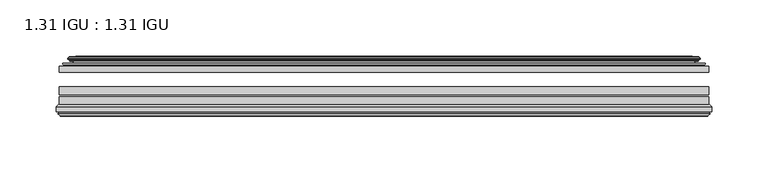
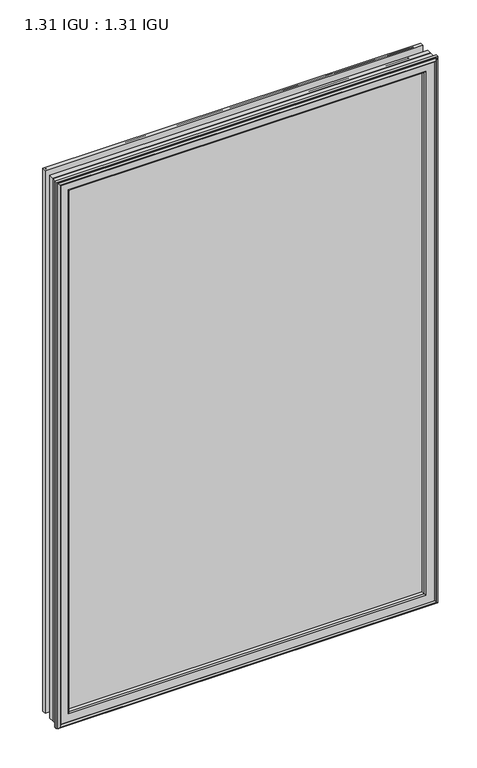
"""IFC4 building model written with IfcOpenShell, lengths in millimetres: plate geometry, 1.31 IGU : 1.31 IGU."""

from ifc_helpers import new_model, si_unit, frame, origin, place, context, project, spatial, polyline, ellipse_curve, outline, extrude, source, transform, mapped, element, save
from ifc_brep_helpers import plane_surface, cylinder_surface, revolved_surface, advanced_brep


def plate_1_31_igu_1_31_igu_420a6f76(model_context):
    return source(origin(), model_context, "Body", "SolidModel", [
        extrude(outline(polyline([(287.3325649, -44.8960875), (287.3325649, -50.4332875), (-287.3375, -50.4332875), (-287.3375, -44.8960875), (287.3325649, -44.8960875)])), frame((0.0, 0.0, -14.2875), z_axis=(0.0, 0.0, 1.0), x_axis=(1.0, 0.0, 0.0)), (0.0, 0.0, 1.0), 873.1260851),
        extrude(outline(polyline([(-287.3375, -78.7796875), (-287.3375, -71.7692875), (287.3325649, -71.7692875), (287.3325649, -78.7796875), (-287.3375, -78.7796875)])), frame((0.0, 0.0, -14.2875), z_axis=(0.0, 0.0, 1.0), x_axis=(1.0, 0.0, 0.0)), (0.0, 0.0, 1.0), 873.1260851),
        extrude(outline(polyline([(-287.3375, -70.2452875), (-287.3375, -63.1332875), (287.3325649, -63.1332875), (287.3325649, -70.2452875), (-287.3375, -70.2452875)])), frame((0.0, 0.0, -14.2875), z_axis=(0.0, 0.0, 1.0), x_axis=(1.0, 0.0, 0.0)), (0.0, 0.0, 1.0), 873.1260851),
        advanced_brep(
        [(-277.9921755, -37.7373382, 849.4932606), (-273.0505426, -36.3108875, 844.5516277), (-273.0505426, -36.3108875, -0.0005426), (-277.9921755, -37.7373382, -4.9421755), (-277.8270702, -36.9605789, 849.3281553), (-277.8270702, -36.9605789, -4.7770702), (-278.4225559, -36.4771203, 849.923641), (-278.4225559, -36.4771203, -5.3725559), (-279.6871917, -37.766076, 851.1882768), (-279.6871917, -37.766076, -6.6371917), (-279.6763749, -38.8797852, 851.17746), (-279.6763749, -38.8797852, -6.6263749), (-278.3948897, -40.1361433, 849.8959748), (-278.3948897, -40.1361433, -5.3448897), (-277.7898829, -39.649943, 849.290968), (-277.7898829, -39.649943, -4.7398829), (-278.3438972, -39.0959287, 849.8449823), (-278.3438972, -39.0959287, -5.2938972), (-276.0580887, -38.7029881, 847.5591739), (-276.0580887, -38.7029881, -3.0080887), (-274.5990157, -40.2107282, 846.1001008), (-274.5990157, -40.2107282, -1.5490157), (-274.8955976, -41.651269, 846.3966827), (-274.8955976, -41.651269, -1.8455976), (-275.6668221, -42.2798875, 847.1679072), (-275.6668221, -42.2798875, -2.6168221), (-283.9707984, -43.4871542, 855.4718835), (-283.6955969, -42.2798875, 855.1966821), (-283.6955969, -42.2798875, -10.6455969), (-283.9707984, -43.4871542, -10.9207984), (-280.5132297, -44.8960875, 852.0143149), (-280.5132297, -44.8960875, -7.4632297), (-269.4156059, -44.023302, 840.9166911), (-269.7709439, -44.8960875, 841.272029), (-269.7709439, -44.8960875, 3.2790561), (-269.4156059, -44.023302, 3.6343941), (-270.086804, -43.3681812, 841.5878891), (-270.086804, -43.3681812, 2.963196), (-271.7275946, -40.6686056, 843.2286797), (-271.7275946, -40.6686056, 1.3224054), (273.0505426, -36.3108875, -0.0005426), (277.9921755, -37.7373382, -4.9421755), (277.8270702, -36.9605789, -4.7770702), (278.4225559, -36.4771203, -5.3725559), (279.6871917, -37.766076, -6.6371917), (279.6763749, -38.8797852, -6.6263749), (278.3948897, -40.1361433, -5.3448897), (277.7898829, -39.649943, -4.7398829), (278.3438972, -39.0959287, -5.2938972), (276.0580887, -38.7029881, -3.0080887), (274.5990157, -40.2107282, -1.5490157), (274.8955976, -41.651269, -1.8455976), (275.6668221, -42.2798875, -2.6168221), (283.6955969, -42.2798875, -10.6455969), (283.9707984, -43.4871542, -10.9207984), (280.5132297, -44.8960875, -7.4632297), (269.7709439, -44.8960875, 3.2790561), (269.4156059, -44.023302, 3.6343941), (270.086804, -43.3681812, 2.963196), (271.7275946, -40.6686056, 1.3224054), (273.0505426, -36.3108875, 844.5516277), (277.9921755, -37.7373382, 849.4932606), (277.8270702, -36.9605789, 849.3281553), (278.4225559, -36.4771203, 849.923641), (279.6871917, -37.766076, 851.1882768), (279.6763749, -38.8797852, 851.17746), (278.3948897, -40.1361433, 849.8959748), (277.7898829, -39.649943, 849.290968), (278.3438972, -39.0959287, 849.8449823), (276.0580887, -38.7029881, 847.5591739), (274.5990157, -40.2107282, 846.1001008), (274.8955976, -41.651269, 846.3966827), (275.6668221, -42.2798875, 847.1679072), (283.6955969, -42.2798875, 855.1966821), (283.9707984, -43.4871542, 855.4718835), (280.5132297, -44.8960875, 852.0143149), (269.7709439, -44.8960875, 841.272029), (269.4156059, -44.023302, 840.9166911), (270.086804, -43.3681812, 841.5878891), (271.7275946, -40.6686056, 843.2286797)],
        [
            (0, 1),
            (1, 2),
            (2, 3),
            (3, 0),
            (4, 0),
            (3, 5),
            (5, 4),
            (6, 4, ellipse_curve(frame((-278.1475871, -36.746901, 849.6486723), z_axis=(-0.7071067811865475, 0.0, -0.7071067811865475), x_axis=(-0.7071067811865474, 0.0, 0.7071067811865476)), 0.5447741, 0.3852135)),
            (5, 7, ellipse_curve(frame((-278.1475871, -36.746901, -5.0975871), z_axis=(-0.7071067811865475, 0.0, 0.7071067811865475), x_axis=(0.7071067811865474, 0.0, 0.7071067811865476)), 0.5447741, 0.3852135)),
            (7, 6),
            (8, 6),
            (7, 9),
            (9, 8),
            (10, 8, ellipse_curve(frame((-279.1251387, -38.3175243, 850.6262238), z_axis=(-0.7071067811865475, 0.0, -0.7071067811865475), x_axis=(-0.7071067811865474, 0.0, 0.7071067811865476)), 1.1135518, 0.7874)),
            (9, 11, ellipse_curve(frame((-279.1251387, -38.3175243, -6.0751387), z_axis=(-0.7071067811865475, 0.0, 0.7071067811865475), x_axis=(0.7071067811865474, 0.0, 0.7071067811865476)), 1.1135518, 0.7874)),
            (11, 10),
            (12, 10),
            (11, 13),
            (13, 12),
            (14, 12, ellipse_curve(frame((-278.1212922, -39.8570738, 849.6223773), z_axis=(-0.7071067811865475, 0.0, -0.7071067811865475), x_axis=(-0.7071067811865474, 0.0, 0.7071067811865476)), 0.552694, 0.3908137)),
            (13, 15, ellipse_curve(frame((-278.1212922, -39.8570738, -5.0712922), z_axis=(-0.7071067811865475, 0.0, 0.7071067811865475), x_axis=(0.7071067811865474, 0.0, 0.7071067811865476)), 0.552694, 0.3908137)),
            (15, 14),
            (16, 14),
            (15, 17),
            (17, 16),
            (18, 16),
            (17, 19),
            (19, 18),
            (20, 18, ellipse_curve(frame((-275.8429261, -39.954629, 847.3440112), z_axis=(0.7071067811865475, 0.0, 0.7071067811865475), x_axis=(0.7071067811865474, 0.0, -0.7071067811865476)), 1.7960512, 1.27)),
            (19, 21, ellipse_curve(frame((-275.8429261, -39.954629, -2.7929261), z_axis=(0.7071067811865475, 0.0, -0.7071067811865475), x_axis=(-0.7071067811865474, 0.0, -0.7071067811865476)), 1.7960512, 1.27)),
            (21, 20),
            (22, 20),
            (21, 23),
            (23, 22),
            (24, 22, ellipse_curve(frame((-275.6668221, -41.4924875, 847.1679072), z_axis=(0.7071067811865475, 0.0, 0.7071067811865475), x_axis=(0.7071067811865474, 0.0, -0.7071067811865476)), 1.1135518, 0.7874)),
            (23, 25, ellipse_curve(frame((-275.6668221, -41.4924875, -2.6168221), z_axis=(0.7071067811865475, 0.0, -0.7071067811865475), x_axis=(-0.7071067811865474, 0.0, -0.7071067811865476)), 1.1135518, 0.7874)),
            (25, 24),
            (26, 27, ellipse_curve(frame((-283.6955969, -42.9148875, 855.1966821), z_axis=(-0.7071067811865475, 0.0, -0.7071067811865475), x_axis=(-0.7071067811865474, 0.0, 0.7071067811865476)), 0.8980256, 0.635)),
            (27, 28),
            (28, 29, ellipse_curve(frame((-283.6955969, -42.9148875, -10.6455969), z_axis=(-0.7071067811865475, 0.0, 0.7071067811865475), x_axis=(0.7071067811865474, 0.0, 0.7071067811865476)), 0.8980256, 0.635)),
            (29, 26),
            (30, 26),
            (29, 31),
            (31, 30),
            (32, 33, ellipse_curve(frame((-269.7709439, -44.3873602, 841.272029), z_axis=(-0.7071067811865475, 0.0, -0.7071067811865475), x_axis=(-0.7071067811865474, 0.0, 0.7071067811865476)), 0.719449, 0.5087273)),
            (33, 34),
            (34, 35, ellipse_curve(frame((-269.7709439, -44.3873602, 3.2790561), z_axis=(-0.7071067811865475, 0.0, 0.7071067811865475), x_axis=(0.7071067811865474, 0.0, 0.7071067811865476)), 0.719449, 0.5087273)),
            (35, 32),
            (36, 32),
            (35, 37),
            (37, 36),
            (38, 36, ellipse_curve(frame((-265.6514298, -38.823959, 837.1525149), z_axis=(0.7071067811865475, 0.0, 0.7071067811865475), x_axis=(0.7071067811865474, 0.0, -0.7071067811865476)), 8.9802561, 6.35)),
            (37, 39, ellipse_curve(frame((-265.6514298, -38.823959, 7.3985702), z_axis=(0.7071067811865475, 0.0, -0.7071067811865475), x_axis=(-0.7071067811865474, 0.0, -0.7071067811865476)), 8.9802561, 6.35)),
            (39, 38),
            (1, 38),
            (39, 2),
            (2, 40),
            (40, 41),
            (41, 3),
            (41, 42),
            (42, 5),
            (42, 43, ellipse_curve(frame((278.1475871, -36.746901, -5.0975871), z_axis=(-0.7071067811865475, 0.0, -0.7071067811865475), x_axis=(-0.7071067811865476, 0.0, 0.7071067811865474)), 0.5447741, 0.3852135)),
            (43, 7),
            (43, 44),
            (44, 9),
            (44, 45, ellipse_curve(frame((279.1251387, -38.3175243, -6.0751387), z_axis=(-0.7071067811865475, 0.0, -0.7071067811865475), x_axis=(-0.7071067811865476, 0.0, 0.7071067811865474)), 1.1135518, 0.7874)),
            (45, 11),
            (45, 46),
            (46, 13),
            (46, 47, ellipse_curve(frame((278.1212922, -39.8570738, -5.0712922), z_axis=(-0.7071067811865475, 0.0, -0.7071067811865475), x_axis=(-0.7071067811865476, 0.0, 0.7071067811865474)), 0.552694, 0.3908137)),
            (47, 15),
            (47, 48),
            (48, 17),
            (48, 49),
            (49, 19),
            (49, 50, ellipse_curve(frame((275.8429261, -39.954629, -2.7929261), z_axis=(0.7071067811865475, 0.0, 0.7071067811865475), x_axis=(0.7071067811865476, 0.0, -0.7071067811865474)), 1.7960512, 1.27)),
            (50, 21),
            (50, 51),
            (51, 23),
            (51, 52, ellipse_curve(frame((275.6668221, -41.4924875, -2.6168221), z_axis=(0.7071067811865475, 0.0, 0.7071067811865475), x_axis=(0.7071067811865476, 0.0, -0.7071067811865474)), 1.1135518, 0.7874)),
            (52, 25),
            (28, 53),
            (53, 54, ellipse_curve(frame((283.6955969, -42.9148875, -10.6455969), z_axis=(-0.7071067811865475, 0.0, -0.7071067811865475), x_axis=(-0.7071067811865476, 0.0, 0.7071067811865474)), 0.8980256, 0.635)),
            (54, 29),
            (54, 55),
            (55, 31),
            (34, 56),
            (56, 57, ellipse_curve(frame((269.7709439, -44.3873602, 3.2790561), z_axis=(-0.7071067811865475, 0.0, -0.7071067811865475), x_axis=(-0.7071067811865476, 0.0, 0.7071067811865474)), 0.719449, 0.5087273)),
            (57, 35),
            (57, 58),
            (58, 37),
            (58, 59, ellipse_curve(frame((265.6514298, -38.823959, 7.3985702), z_axis=(0.7071067811865475, 0.0, 0.7071067811865475), x_axis=(0.7071067811865476, 0.0, -0.7071067811865474)), 8.9802561, 6.35)),
            (59, 39),
            (59, 40),
            (40, 60),
            (60, 61),
            (61, 41),
            (61, 62),
            (62, 42),
            (62, 63, ellipse_curve(frame((278.1475871, -36.746901, 849.6486723), z_axis=(0.7071067811865475, 0.0, -0.7071067811865475), x_axis=(-0.7071067811865474, 0.0, -0.7071067811865476)), 0.5447741, 0.3852135)),
            (63, 43),
            (63, 64),
            (64, 44),
            (64, 65, ellipse_curve(frame((279.1251387, -38.3175243, 850.6262238), z_axis=(0.7071067811865475, 0.0, -0.7071067811865475), x_axis=(-0.7071067811865474, 0.0, -0.7071067811865476)), 1.1135518, 0.7874)),
            (65, 45),
            (65, 66),
            (66, 46),
            (66, 67, ellipse_curve(frame((278.1212922, -39.8570738, 849.6223773), z_axis=(0.7071067811865475, 0.0, -0.7071067811865475), x_axis=(-0.7071067811865474, 0.0, -0.7071067811865476)), 0.552694, 0.3908137)),
            (67, 47),
            (67, 68),
            (68, 48),
            (68, 69),
            (69, 49),
            (69, 70, ellipse_curve(frame((275.8429261, -39.954629, 847.3440112), z_axis=(-0.7071067811865475, 0.0, 0.7071067811865475), x_axis=(0.7071067811865474, 0.0, 0.7071067811865476)), 1.7960512, 1.27)),
            (70, 50),
            (70, 71),
            (71, 51),
            (71, 72, ellipse_curve(frame((275.6668221, -41.4924875, 847.1679072), z_axis=(-0.7071067811865475, 0.0, 0.7071067811865475), x_axis=(0.7071067811865474, 0.0, 0.7071067811865476)), 1.1135518, 0.7874)),
            (72, 52),
            (53, 73),
            (73, 74, ellipse_curve(frame((283.6955969, -42.9148875, 855.1966821), z_axis=(0.7071067811865475, 0.0, -0.7071067811865475), x_axis=(-0.7071067811865474, 0.0, -0.7071067811865476)), 0.8980256, 0.635)),
            (74, 54),
            (74, 75),
            (75, 55),
            (56, 76),
            (76, 77, ellipse_curve(frame((269.7709439, -44.3873602, 841.272029), z_axis=(0.7071067811865475, 0.0, -0.7071067811865475), x_axis=(-0.7071067811865474, 0.0, -0.7071067811865476)), 0.719449, 0.5087273)),
            (77, 57),
            (77, 78),
            (78, 58),
            (78, 79, ellipse_curve(frame((265.6514298, -38.823959, 837.1525149), z_axis=(-0.7071067811865475, 0.0, 0.7071067811865475), x_axis=(0.7071067811865474, 0.0, 0.7071067811865476)), 8.9802561, 6.35)),
            (79, 59),
            (79, 60),
            (60, 1),
            (0, 61),
            (4, 62),
            (6, 63),
            (8, 64),
            (10, 65),
            (12, 66),
            (14, 67),
            (16, 68),
            (18, 69),
            (20, 70),
            (22, 71),
            (24, 72),
            (27, 73),
            (26, 74),
            (30, 75),
            (33, 76),
            (32, 77),
            (36, 78),
            (38, 79),
        ],
        [
            plane_surface(frame((-273.0505426, -36.3108875, 844.5516277), z_axis=(-0.2773364928492854, 0.9607728502273877, 0.0), x_axis=(0.0, 0.0, -1.0))),
            plane_surface(frame((-277.9921755, -37.7373382, 849.4932606), z_axis=(0.9781476007338358, -0.20791169081761768, 0.0), x_axis=(0.0, 0.0, -1.0))),
            cylinder_surface(frame((-278.1475871, -36.746901, 876.3010851), z_axis=(0.0, 0.0, 1.0), x_axis=(-1.0, 0.0, 0.0)), 0.3852135),
            plane_surface(frame((-278.4225559, -36.4771203, 849.923641), z_axis=(-0.7138087599382162, 0.7003406701280928, 0.0), x_axis=(0.0, 0.0, -1.0))),
            cylinder_surface(frame((-279.1251387, -38.3175243, 876.3010851), z_axis=(0.0, 0.0, 1.0), x_axis=(-1.0, 0.0, 0.0)), 0.7874),
            plane_surface(frame((-279.6763749, -38.8797852, 851.17746), z_axis=(-0.7000714109283732, -0.7140728391423082, 0.0), x_axis=(0.0, 0.0, -1.0))),
            cylinder_surface(frame((-278.1212922, -39.8570738, 876.3010851), z_axis=(0.0, 0.0, 1.0), x_axis=(-1.0, 0.0, 0.0)), 0.3908137),
            plane_surface(frame((-277.7898829, -39.649943, 849.290968), z_axis=(0.7071067811861126, 0.7071067811869826, 0.0), x_axis=(0.0, 0.0, -1.0))),
            plane_surface(frame((-278.3438972, -39.0959287, 849.8449823), z_axis=(0.16941940671011485, -0.9855440449974789, 0.0), x_axis=(0.0, 0.0, -1.0))),
            revolved_surface(polyline([(-277.1129261, -39.954629, -4.0629260828783345), (-277.1129261, -39.954629, 848.6140111828782)]), (-275.8429261, -39.954629, 876.3010851), (0.0, 0.0, -1.0)),
            plane_surface(frame((-274.5990157, -40.2107282, 846.1001008), z_axis=(-0.9794570432566897, 0.201652920670302, 0.0), x_axis=(0.0, 0.0, -1.0))),
            revolved_surface(polyline([(-276.4542221, -41.4924875, -3.4042221289824965), (-276.4542221, -41.4924875, 847.9553072289824)]), (-275.6668221, -41.4924875, 876.3010851), (0.0, 0.0, -1.0)),
            cylinder_surface(frame((-283.6955969, -42.9148875, 876.3010851), z_axis=(0.0, 0.0, 1.0), x_axis=(-1.0, 0.0, 0.0)), 0.635),
            plane_surface(frame((-283.9707984, -43.4871542, 855.4718835), z_axis=(-0.37736447542757934, -0.9260648209954139, 0.0), x_axis=(0.0, 0.0, -1.0))),
            cylinder_surface(frame((-269.7709439, -44.3873602, 876.3010851), z_axis=(0.0, 0.0, 1.0), x_axis=(-1.0, 0.0, 0.0)), 0.5087273),
            plane_surface(frame((-269.4156059, -44.023302, 840.9166911), z_axis=(0.698484125849927, 0.7156255486884628, 0.0), x_axis=(0.0, 0.0, -1.0))),
            revolved_surface(polyline([(-272.00142980000004, -38.823959, 1.0485702148981773), (-272.00142980000004, -38.823959, 843.5025148851018)]), (-265.6514298, -38.823959, 876.3010851), (0.0, 0.0, -1.0)),
            plane_surface(frame((-271.7275946, -40.6686056, 843.2286797), z_axis=(0.9568763473517009, 0.2904955350411896, 0.0), x_axis=(0.0, 0.0, -1.0))),
            plane_surface(frame((-273.0505426, -36.3108875, -0.0005426), z_axis=(0.0, 0.9607728502273868, -0.2773364928492885), x_axis=(1.0, 0.0, 0.0))),
            plane_surface(frame((-277.9921755, -37.7373382, -4.9421755), z_axis=(0.0, -0.20791169081761454, 0.9781476007338364), x_axis=(1.0, 0.0, 0.0))),
            cylinder_surface(frame((-304.8, -36.746901, -5.0975871), z_axis=(-1.0, 0.0, 0.0), x_axis=(0.0, 0.0, -1.0)), 0.3852135),
            plane_surface(frame((-278.4225559, -36.4771203, -5.3725559), z_axis=(0.0, 0.7003406701280904, -0.7138087599382185), x_axis=(1.0, 0.0, 0.0))),
            cylinder_surface(frame((-304.8, -38.3175243, -6.0751387), z_axis=(-1.0, 0.0, 0.0), x_axis=(0.0, 0.0, -1.0)), 0.7874),
            plane_surface(frame((-279.6763749, -38.8797852, -6.6263749), z_axis=(0.0, -0.7140728391423105, -0.7000714109283709), x_axis=(1.0, 0.0, 0.0))),
            cylinder_surface(frame((-304.8, -39.8570738, -5.0712922), z_axis=(-1.0, 0.0, 0.0), x_axis=(0.0, 0.0, -1.0)), 0.3908137),
            plane_surface(frame((-277.7898829, -39.649943, -4.7398829), z_axis=(0.0, 0.7071067811869849, 0.7071067811861103), x_axis=(1.0, 0.0, 0.0))),
            plane_surface(frame((-278.3438972, -39.0959287, -5.2938972), z_axis=(0.0, -0.9855440449974784, 0.16941940671011801), x_axis=(1.0, 0.0, 0.0))),
            revolved_surface(polyline([(277.11292608287835, -39.954629, -4.0629261), (-277.11292608287823, -39.954629, -4.0629261)]), (-304.8, -39.954629, -2.7929261), (1.0, 0.0, 0.0)),
            plane_surface(frame((-274.5990157, -40.2107282, -1.5490157), z_axis=(0.0, 0.20165292067029883, -0.9794570432566904), x_axis=(1.0, 0.0, 0.0))),
            revolved_surface(polyline([(276.4542221289824, -41.4924875, -3.4042220999999997), (-276.45422212898245, -41.4924875, -3.4042220999999997)]), (-304.8, -41.4924875, -2.6168221), (1.0, 0.0, 0.0)),
            cylinder_surface(frame((-304.8, -42.9148875, -10.6455969), z_axis=(-1.0, 0.0, 0.0), x_axis=(0.0, 0.0, -1.0)), 0.635),
            plane_surface(frame((-283.9707984, -43.4871542, -10.9207984), z_axis=(0.0, -0.9260648209954151, -0.37736447542757634), x_axis=(1.0, 0.0, 0.0))),
            cylinder_surface(frame((-304.8, -44.3873602, 3.2790561), z_axis=(-1.0, 0.0, 0.0), x_axis=(0.0, 0.0, -1.0)), 0.5087273),
            plane_surface(frame((-269.4156059, -44.023302, 3.6343941), z_axis=(0.0, 0.7156255486884651, 0.6984841258499247), x_axis=(1.0, 0.0, 0.0))),
            revolved_surface(polyline([(272.00142978510183, -38.823959, 1.0485702000000003), (-272.0014297851019, -38.823959, 1.0485702000000003)]), (-304.8, -38.823959, 7.3985702), (1.0, 0.0, 0.0)),
            plane_surface(frame((-271.7275946, -40.6686056, 1.3224054), z_axis=(0.0, 0.29049553504119263, 0.9568763473517), x_axis=(1.0, 0.0, 0.0))),
            plane_surface(frame((273.0505426, -36.3108875, -0.0005426), z_axis=(0.2773364928492916, 0.9607728502273859, 0.0), x_axis=(0.0, 0.0, 1.0))),
            plane_surface(frame((277.9921755, -37.7373382, -4.9421755), z_axis=(-0.9781476007338371, -0.2079116908176114, 0.0), x_axis=(0.0, 0.0, 1.0))),
            cylinder_surface(frame((278.1475871, -36.746901, -31.75), z_axis=(0.0, 0.0, -1.0), x_axis=(1.0, 0.0, 0.0)), 0.3852135),
            plane_surface(frame((278.4225559, -36.4771203, -5.3725559), z_axis=(0.7138087599382208, 0.7003406701280882, 0.0), x_axis=(0.0, 0.0, 1.0))),
            cylinder_surface(frame((279.1251387, -38.3175243, -31.75), z_axis=(0.0, 0.0, -1.0), x_axis=(1.0, 0.0, 0.0)), 0.7874),
            plane_surface(frame((279.6763749, -38.8797852, -6.6263749), z_axis=(0.7000714109283687, -0.7140728391423128, 0.0), x_axis=(0.0, 0.0, 1.0))),
            cylinder_surface(frame((278.1212922, -39.8570738, -31.75), z_axis=(0.0, 0.0, -1.0), x_axis=(1.0, 0.0, 0.0)), 0.3908137),
            plane_surface(frame((277.7898829, -39.649943, -4.7398829), z_axis=(-0.7071067811861079, 0.7071067811869872, 0.0), x_axis=(0.0, 0.0, 1.0))),
            plane_surface(frame((278.3438972, -39.0959287, -5.2938972), z_axis=(-0.16941940671012118, -0.9855440449974778, 0.0), x_axis=(0.0, 0.0, 1.0))),
            revolved_surface(polyline([(277.1129261, -39.954629, 848.6140111828782), (277.1129261, -39.954629, -4.062926082878235)]), (275.8429261, -39.954629, -31.75), (0.0, 0.0, 1.0)),
            plane_surface(frame((274.5990157, -40.2107282, -1.5490157), z_axis=(0.979457043256691, 0.20165292067029567, 0.0), x_axis=(0.0, 0.0, 1.0))),
            revolved_surface(polyline([(276.4542221, -41.4924875, 847.9553072289824), (276.4542221, -41.4924875, -3.404222128982486)]), (275.6668221, -41.4924875, -31.75), (0.0, 0.0, 1.0)),
            cylinder_surface(frame((283.6955969, -42.9148875, -31.75), z_axis=(0.0, 0.0, -1.0), x_axis=(1.0, 0.0, 0.0)), 0.635),
            plane_surface(frame((283.9707984, -43.4871542, -10.9207984), z_axis=(0.37736447542757334, -0.9260648209954163, 0.0), x_axis=(0.0, 0.0, 1.0))),
            cylinder_surface(frame((269.7709439, -44.3873602, -31.75), z_axis=(0.0, 0.0, -1.0), x_axis=(1.0, 0.0, 0.0)), 0.5087273),
            plane_surface(frame((269.4156059, -44.023302, 3.6343941), z_axis=(-0.6984841258499224, 0.7156255486884673, 0.0), x_axis=(0.0, 0.0, 1.0))),
            revolved_surface(polyline([(272.00142980000004, -38.823959, 843.5025148851018), (272.00142980000004, -38.823959, 1.0485702148981417)]), (265.6514298, -38.823959, -31.75), (0.0, 0.0, 1.0)),
            plane_surface(frame((271.7275946, -40.6686056, 1.3224054), z_axis=(-0.9568763473516991, 0.2904955350411957, 0.0), x_axis=(0.0, 0.0, 1.0))),
            plane_surface(frame((273.0505426, -36.3108875, 844.5516277), z_axis=(0.0, 0.9607728502273868, 0.2773364928492885), x_axis=(-1.0, 0.0, 0.0))),
            plane_surface(frame((277.9921755, -37.7373382, 849.4932606), z_axis=(0.0, -0.20791169081761454, -0.9781476007338364), x_axis=(-1.0, 0.0, 0.0))),
            cylinder_surface(frame((304.8, -36.746901, 849.6486723), z_axis=(1.0, 0.0, 0.0), x_axis=(0.0, 0.0, 1.0)), 0.3852135),
            plane_surface(frame((278.4225559, -36.4771203, 849.923641), z_axis=(0.0, 0.7003406701280904, 0.7138087599382185), x_axis=(-1.0, 0.0, 0.0))),
            cylinder_surface(frame((304.8, -38.3175243, 850.6262238), z_axis=(1.0, 0.0, 0.0), x_axis=(0.0, 0.0, 1.0)), 0.7874),
            plane_surface(frame((279.6763749, -38.8797852, 851.17746), z_axis=(0.0, -0.7140728391423106, 0.700071410928371), x_axis=(-1.0, 0.0, 0.0))),
            cylinder_surface(frame((304.8, -39.8570738, 849.6223773), z_axis=(1.0, 0.0, 0.0), x_axis=(0.0, 0.0, 1.0)), 0.3908137),
            plane_surface(frame((277.7898829, -39.649943, 849.290968), z_axis=(0.0, 0.7071067811869849, -0.7071067811861103), x_axis=(-1.0, 0.0, 0.0))),
            plane_surface(frame((278.3438972, -39.0959287, 849.8449823), z_axis=(0.0, -0.9855440449974784, -0.16941940671011801), x_axis=(-1.0, 0.0, 0.0))),
            revolved_surface(polyline([(-277.11292608287835, -39.954629, 848.6140111999999), (277.11292608287823, -39.954629, 848.6140111999999)]), (304.8, -39.954629, 847.3440112), (-1.0, 0.0, 0.0)),
            plane_surface(frame((274.5990157, -40.2107282, 846.1001008), z_axis=(0.0, 0.20165292067029883, 0.9794570432566904), x_axis=(-1.0, 0.0, 0.0))),
            revolved_surface(polyline([(-276.4542221289824, -41.4924875, 847.9553072), (276.45422212898245, -41.4924875, 847.9553072)]), (304.8, -41.4924875, 847.1679072), (-1.0, 0.0, 0.0)),
            plane_surface(frame((275.6668221, -42.2798875, 847.1679072), z_axis=(0.0, 1.0, 0.0), x_axis=(-1.0, 0.0, 0.0))),
            cylinder_surface(frame((304.8, -42.9148875, 855.1966821), z_axis=(1.0, 0.0, 0.0), x_axis=(0.0, 0.0, 1.0)), 0.635),
            plane_surface(frame((283.9707984, -43.4871542, 855.4718835), z_axis=(0.0, -0.9260648209954151, 0.37736447542757634), x_axis=(-1.0, 0.0, 0.0))),
            plane_surface(frame((280.5132297, -44.8960875, 852.0143149), z_axis=(0.0, -1.0, 0.0), x_axis=(-1.0, 0.0, 0.0))),
            cylinder_surface(frame((304.8, -44.3873602, 841.272029), z_axis=(1.0, 0.0, 0.0), x_axis=(0.0, 0.0, 1.0)), 0.5087273),
            plane_surface(frame((269.4156059, -44.023302, 840.9166911), z_axis=(0.0, 0.7156255486884651, -0.6984841258499247), x_axis=(-1.0, 0.0, 0.0))),
            revolved_surface(polyline([(-272.00142978510183, -38.823959, 843.5025149), (272.0014297851019, -38.823959, 843.5025149)]), (304.8, -38.823959, 837.1525149), (-1.0, 0.0, 0.0)),
            plane_surface(frame((271.7275946, -40.6686056, 843.2286797), z_axis=(0.0, 0.29049553504119263, -0.9568763473517), x_axis=(-1.0, 0.0, 0.0))),
        ],
        [
            (0, [[1, 2, 3, 4]]),
            (1, [[5, -4, 6, 7]]),
            (2, [[8, -7, 9, 10]]),
            (3, [[11, -10, 12, 13]]),
            (4, [[14, -13, 15, 16]]),
            (5, [[17, -16, 18, 19]]),
            (6, [[20, -19, 21, 22]]),
            (7, [[23, -22, 24, 25]]),
            (8, [[26, -25, 27, 28]]),
            (9, [[29, -28, 30, 31]]),
            (10, [[32, -31, 33, 34]]),
            (11, [[35, -34, 36, 37]]),
            (12, [[38, 39, 40, 41]]),
            (13, [[42, -41, 43, 44]]),
            (14, [[45, 46, 47, 48]]),
            (15, [[49, -48, 50, 51]]),
            (16, [[52, -51, 53, 54]]),
            (17, [[55, -54, 56, -2]]),
            (18, [[-3, 57, 58, 59]]),
            (19, [[-6, -59, 60, 61]]),
            (20, [[-9, -61, 62, 63]]),
            (21, [[-12, -63, 64, 65]]),
            (22, [[-15, -65, 66, 67]]),
            (23, [[-18, -67, 68, 69]]),
            (24, [[-21, -69, 70, 71]]),
            (25, [[-24, -71, 72, 73]]),
            (26, [[-27, -73, 74, 75]]),
            (27, [[-30, -75, 76, 77]]),
            (28, [[-33, -77, 78, 79]]),
            (29, [[-36, -79, 80, 81]]),
            (30, [[-40, 82, 83, 84]]),
            (31, [[-43, -84, 85, 86]]),
            (32, [[-47, 87, 88, 89]]),
            (33, [[-50, -89, 90, 91]]),
            (34, [[-53, -91, 92, 93]]),
            (35, [[-56, -93, 94, -57]]),
            (36, [[-58, 95, 96, 97]]),
            (37, [[-60, -97, 98, 99]]),
            (38, [[-62, -99, 100, 101]]),
            (39, [[-64, -101, 102, 103]]),
            (40, [[-66, -103, 104, 105]]),
            (41, [[-68, -105, 106, 107]]),
            (42, [[-70, -107, 108, 109]]),
            (43, [[-72, -109, 110, 111]]),
            (44, [[-74, -111, 112, 113]]),
            (45, [[-76, -113, 114, 115]]),
            (46, [[-78, -115, 116, 117]]),
            (47, [[-80, -117, 118, 119]]),
            (48, [[-83, 120, 121, 122]]),
            (49, [[-85, -122, 123, 124]]),
            (50, [[-88, 125, 126, 127]]),
            (51, [[-90, -127, 128, 129]]),
            (52, [[-92, -129, 130, 131]]),
            (53, [[-94, -131, 132, -95]]),
            (54, [[-96, 133, -1, 134]]),
            (55, [[-98, -134, -5, 135]]),
            (56, [[-100, -135, -8, 136]]),
            (57, [[-102, -136, -11, 137]]),
            (58, [[-104, -137, -14, 138]]),
            (59, [[-106, -138, -17, 139]]),
            (60, [[-108, -139, -20, 140]]),
            (61, [[-110, -140, -23, 141]]),
            (62, [[-112, -141, -26, 142]]),
            (63, [[-114, -142, -29, 143]]),
            (64, [[-116, -143, -32, 144]]),
            (65, [[-118, -144, -35, 145]]),
            (66, [[146, -120, -82, -39], [-81, -119, -145, -37]]),
            (67, [[-121, -146, -38, 147]]),
            (68, [[-123, -147, -42, 148]]),
            (69, [[-86, -124, -148, -44], [149, -125, -87, -46]]),
            (70, [[-126, -149, -45, 150]]),
            (71, [[-128, -150, -49, 151]]),
            (72, [[-130, -151, -52, 152]]),
            (73, [[-132, -152, -55, -133]]),
        ],
    ),
        advanced_brep(
        [(-270.3624494, -83.3389875, 841.8635345), (-272.1375155, -85.1296875, 843.6386006), (-272.1375155, -85.1296875, 0.9124845), (-270.3624494, -83.3389875, 2.6875506), (-269.3392401, -78.7796875, 840.8403253), (-269.3392401, -78.7796875, 3.7107599), (-289.9199491, -80.9740477, 861.4210342), (-287.7255889, -78.7796875, 859.226674), (-287.7255889, -78.7796875, -14.6755889), (-289.9199491, -80.9740477, -16.8699491), (-289.9199491, -85.1296875, 861.4210342), (-289.9199491, -85.1296875, -16.8699491), (-287.3948889, -86.3747112, 858.895974), (-288.1461159, -85.1296875, 859.647201), (-288.1461159, -85.1296875, -15.0961159), (-287.3948889, -86.3747112, -14.3448889), (-287.0853598, -87.6502863, 858.5864449), (-287.0853598, -87.6502863, -14.0353598), (-288.1034732, -87.2076396, 859.6045583), (-288.1034732, -87.2076396, -15.0534732), (-286.4164838, -88.8840626, 857.917569), (-288.8981832, -87.2076396, 860.3992684), (-288.8981832, -87.2076396, -15.8481832), (-286.4164838, -88.8840626, -13.3664838), (-284.2646584, -86.9401656, 855.7657436), (-284.2646584, -86.9401656, -11.2146584), (-285.9720126, -87.5528811, 857.4730977), (-285.0462314, -86.9401656, 856.5473166), (-285.0462314, -86.9401656, -11.9962314), (-285.9720126, -87.5528811, -12.9220126), (-285.8886873, -86.2429356, 857.3897724), (-285.8886873, -86.2429356, -12.8386873), (-285.2904492, -85.1296875, 856.7915344), (-285.2904492, -85.1296875, -12.2404492), (272.1375155, -85.1296875, 0.9124845), (270.3624494, -83.3389875, 2.6875506), (269.3392401, -78.7796875, 3.7107599), (287.7255889, -78.7796875, -14.6755889), (289.9199491, -80.9740477, -16.8699491), (289.9199491, -85.1296875, -16.8699491), (288.1461159, -85.1296875, -15.0961159), (287.3948889, -86.3747112, -14.3448889), (287.0853598, -87.6502863, -14.0353598), (288.1034732, -87.2076396, -15.0534732), (288.8981832, -87.2076396, -15.8481832), (286.4164838, -88.8840626, -13.3664838), (284.2646584, -86.9401656, -11.2146584), (285.0462314, -86.9401656, -11.9962314), (285.9720126, -87.5528811, -12.9220126), (285.8886873, -86.2429356, -12.8386873), (285.2904492, -85.1296875, -12.2404492), (272.1375155, -85.1296875, 843.6386006), (270.3624494, -83.3389875, 841.8635345), (269.3392401, -78.7796875, 840.8403253), (287.7255889, -78.7796875, 859.226674), (289.9199491, -80.9740477, 861.4210342), (289.9199491, -85.1296875, 861.4210342), (288.1461159, -85.1296875, 859.647201), (287.3948889, -86.3747112, 858.895974), (287.0853598, -87.6502863, 858.5864449), (288.1034732, -87.2076396, 859.6045583), (288.8981832, -87.2076396, 860.3992684), (286.4164838, -88.8840626, 857.917569), (284.2646584, -86.9401656, 855.7657436), (285.0462314, -86.9401656, 856.5473166), (285.9720126, -87.5528811, 857.4730977), (285.8886873, -86.2429356, 857.3897724), (285.2904492, -85.1296875, 856.7915344)],
        [
            (0, 1, ellipse_curve(frame((-272.3889505, -83.1053133, 843.8900356), z_axis=(-0.7071067811865475, 0.0, -0.7071067811865475), x_axis=(-0.7071067811865474, 0.0, 0.7071067811865476)), 2.8848953, 2.039929)),
            (1, 2),
            (2, 3, ellipse_curve(frame((-272.3889505, -83.1053133, 0.6610495), z_axis=(-0.7071067811865475, 0.0, 0.7071067811865475), x_axis=(0.7071067811865474, 0.0, 0.7071067811865476)), 2.8848953, 2.039929)),
            (3, 0),
            (4, 0),
            (3, 5),
            (5, 4),
            (6, 7),
            (7, 8),
            (8, 9),
            (9, 6),
            (10, 6),
            (9, 11),
            (11, 10),
            (12, 13),
            (13, 14),
            (14, 15),
            (15, 12),
            (16, 12),
            (15, 17),
            (17, 16),
            (18, 16),
            (17, 19),
            (19, 18),
            (20, 21),
            (21, 22),
            (22, 23),
            (23, 20),
            (24, 20),
            (23, 25),
            (25, 24),
            (26, 27),
            (27, 28),
            (28, 29),
            (29, 26),
            (30, 26),
            (29, 31),
            (31, 30),
            (32, 30),
            (31, 33),
            (33, 32),
            (2, 34),
            (34, 35, ellipse_curve(frame((272.3889505, -83.1053133, 0.6610495), z_axis=(-0.7071067811865475, 0.0, -0.7071067811865475), x_axis=(-0.7071067811865476, 0.0, 0.7071067811865474)), 2.8848953, 2.039929)),
            (35, 3),
            (35, 36),
            (36, 5),
            (8, 37),
            (37, 38),
            (38, 9),
            (38, 39),
            (39, 11),
            (14, 40),
            (40, 41),
            (41, 15),
            (41, 42),
            (42, 17),
            (42, 43),
            (43, 19),
            (22, 44),
            (44, 45),
            (45, 23),
            (45, 46),
            (46, 25),
            (28, 47),
            (47, 48),
            (48, 29),
            (48, 49),
            (49, 31),
            (49, 50),
            (50, 33),
            (34, 51),
            (51, 52, ellipse_curve(frame((272.3889505, -83.1053133, 843.8900356), z_axis=(0.7071067811865475, 0.0, -0.7071067811865475), x_axis=(-0.7071067811865474, 0.0, -0.7071067811865476)), 2.8848953, 2.039929)),
            (52, 35),
            (52, 53),
            (53, 36),
            (37, 54),
            (54, 55),
            (55, 38),
            (55, 56),
            (56, 39),
            (40, 57),
            (57, 58),
            (58, 41),
            (58, 59),
            (59, 42),
            (59, 60),
            (60, 43),
            (44, 61),
            (61, 62),
            (62, 45),
            (62, 63),
            (63, 46),
            (47, 64),
            (64, 65),
            (65, 48),
            (65, 66),
            (66, 49),
            (66, 67),
            (67, 50),
            (51, 1),
            (0, 52),
            (4, 53),
            (7, 54),
            (6, 55),
            (10, 56),
            (13, 57),
            (12, 58),
            (16, 59),
            (18, 60),
            (21, 61),
            (20, 62),
            (24, 63),
            (27, 64),
            (26, 65),
            (30, 66),
            (32, 67),
        ],
        [
            cylinder_surface(frame((-272.3889505, -83.1053133, 876.3010851), z_axis=(0.0, 0.0, 1.0), x_axis=(-1.0, 0.0, 0.0)), 2.039929),
            plane_surface(frame((-270.3624494, -83.3389875, 841.8635345), z_axis=(0.9757302952562701, -0.21897577701451848, 0.0), x_axis=(0.0, 0.0, -1.0))),
            plane_surface(frame((-287.7255889, -78.7796875, 859.226674), z_axis=(-0.7071067811871722, 0.7071067811859229, 0.0), x_axis=(0.0, 0.0, -1.0))),
            plane_surface(frame((-289.9199491, -80.9740477, 861.4210342), z_axis=(-1.0, 0.0, 0.0), x_axis=(0.0, 0.0, -1.0))),
            plane_surface(frame((-288.1461159, -85.1296875, 859.647201), z_axis=(-0.8562121193263807, -0.516624434883434, 0.0), x_axis=(0.0, 0.0, -1.0))),
            plane_surface(frame((-287.3948889, -86.3747112, 858.895974), z_axis=(-0.9717979666139347, -0.23581499546259124, 0.0), x_axis=(0.0, 0.0, -1.0))),
            plane_surface(frame((-287.0853598, -87.6502863, 858.5864449), z_axis=(0.3987175451776161, 0.9170737806564615, 0.0), x_axis=(0.0, 0.0, -1.0))),
            plane_surface(frame((-288.8981832, -87.2076396, 860.3992684), z_axis=(-0.5597655002239059, -0.8286510633306884, 0.0), x_axis=(0.0, 0.0, -1.0))),
            plane_surface(frame((-286.4164838, -88.8840626, 857.917569), z_axis=(0.6703456526761111, -0.7420489916024674, 0.0), x_axis=(0.0, 0.0, -1.0))),
            plane_surface(frame((-285.0462314, -86.9401656, 856.5473166), z_axis=(-0.5519083205498945, 0.8339047941508642, 0.0), x_axis=(0.0, 0.0, -1.0))),
            plane_surface(frame((-285.9720126, -87.5528811, 857.4730977), z_axis=(0.9979830161114805, -0.06348148984572212, 0.0), x_axis=(0.0, 0.0, -1.0))),
            plane_surface(frame((-285.8886873, -86.2429356, 857.3897724), z_axis=(0.8808682216207324, -0.47336157019632297, 0.0), x_axis=(0.0, 0.0, -1.0))),
            cylinder_surface(frame((-304.8, -83.1053133, 0.6610495), z_axis=(-1.0, 0.0, 0.0), x_axis=(0.0, 0.0, -1.0)), 2.039929),
            plane_surface(frame((-270.3624494, -83.3389875, 2.6875506), z_axis=(0.0, -0.21897577701451534, 0.9757302952562708), x_axis=(1.0, 0.0, 0.0))),
            plane_surface(frame((-287.7255889, -78.7796875, -14.6755889), z_axis=(0.0, 0.7071067811859205, -0.7071067811871745), x_axis=(1.0, 0.0, 0.0))),
            plane_surface(frame((-289.9199491, -80.9740477, -16.8699491), z_axis=(0.0, 0.0, -1.0), x_axis=(1.0, 0.0, 0.0))),
            plane_surface(frame((-288.1461159, -85.1296875, -15.0961159), z_axis=(0.0, -0.5166244348834368, -0.8562121193263791), x_axis=(1.0, 0.0, 0.0))),
            plane_surface(frame((-287.3948889, -86.3747112, -14.3448889), z_axis=(0.0, -0.23581499546259438, -0.9717979666139339), x_axis=(1.0, 0.0, 0.0))),
            plane_surface(frame((-287.0853598, -87.6502863, -14.0353598), z_axis=(0.0, 0.9170737806564628, 0.39871754517761315), x_axis=(1.0, 0.0, 0.0))),
            plane_surface(frame((-288.8981832, -87.2076396, -15.8481832), z_axis=(0.0, -0.8286510633306902, -0.5597655002239033), x_axis=(1.0, 0.0, 0.0))),
            plane_surface(frame((-286.4164838, -88.8840626, -13.3664838), z_axis=(0.0, -0.7420489916024653, 0.6703456526761136), x_axis=(1.0, 0.0, 0.0))),
            plane_surface(frame((-285.0462314, -86.9401656, -11.9962314), z_axis=(0.0, 0.8339047941508624, -0.5519083205498971), x_axis=(1.0, 0.0, 0.0))),
            plane_surface(frame((-285.9720126, -87.5528811, -12.9220126), z_axis=(0.0, -0.0634814898457189, 0.9979830161114808), x_axis=(1.0, 0.0, 0.0))),
            plane_surface(frame((-285.8886873, -86.2429356, -12.8386873), z_axis=(0.0, -0.47336157019632014, 0.880868221620734), x_axis=(1.0, 0.0, 0.0))),
            cylinder_surface(frame((272.3889505, -83.1053133, -31.75), z_axis=(0.0, 0.0, -1.0), x_axis=(1.0, 0.0, 0.0)), 2.039929),
            plane_surface(frame((270.3624494, -83.3389875, 2.6875506), z_axis=(-0.9757302952562714, -0.2189757770145122, 0.0), x_axis=(0.0, 0.0, 1.0))),
            plane_surface(frame((287.7255889, -78.7796875, -14.6755889), z_axis=(0.7071067811871768, 0.7071067811859182, 0.0), x_axis=(0.0, 0.0, 1.0))),
            plane_surface(frame((289.9199491, -80.9740477, -16.8699491), z_axis=(1.0, 0.0, 0.0), x_axis=(0.0, 0.0, 1.0))),
            plane_surface(frame((288.1461159, -85.1296875, -15.0961159), z_axis=(0.8562121193263774, -0.5166244348834396, 0.0), x_axis=(0.0, 0.0, 1.0))),
            plane_surface(frame((287.3948889, -86.3747112, -14.3448889), z_axis=(0.9717979666139331, -0.23581499546259752, 0.0), x_axis=(0.0, 0.0, 1.0))),
            plane_surface(frame((287.0853598, -87.6502863, -14.0353598), z_axis=(-0.3987175451776102, 0.9170737806564642, 0.0), x_axis=(0.0, 0.0, 1.0))),
            plane_surface(frame((288.8981832, -87.2076396, -15.8481832), z_axis=(0.5597655002239006, -0.8286510633306919, 0.0), x_axis=(0.0, 0.0, 1.0))),
            plane_surface(frame((286.4164838, -88.8840626, -13.3664838), z_axis=(-0.6703456526761159, -0.7420489916024631, 0.0), x_axis=(0.0, 0.0, 1.0))),
            plane_surface(frame((285.0462314, -86.9401656, -11.9962314), z_axis=(0.5519083205498998, 0.8339047941508606, 0.0), x_axis=(0.0, 0.0, 1.0))),
            plane_surface(frame((285.9720126, -87.5528811, -12.9220126), z_axis=(-0.997983016111481, -0.06348148984571568, 0.0), x_axis=(0.0, 0.0, 1.0))),
            plane_surface(frame((285.8886873, -86.2429356, -12.8386873), z_axis=(-0.8808682216207355, -0.4733615701963173, 0.0), x_axis=(0.0, 0.0, 1.0))),
            cylinder_surface(frame((304.8, -83.1053133, 843.8900356), z_axis=(1.0, 0.0, 0.0), x_axis=(0.0, 0.0, 1.0)), 2.039929),
            plane_surface(frame((270.3624494, -83.3389875, 841.8635345), z_axis=(0.0, -0.21897577701451534, -0.9757302952562708), x_axis=(-1.0, 0.0, 0.0))),
            plane_surface(frame((269.3392401, -78.7796875, 840.8403253), z_axis=(0.0, 1.0, 0.0), x_axis=(-1.0, 0.0, 0.0))),
            plane_surface(frame((287.7255889, -78.7796875, 859.226674), z_axis=(0.0, 0.7071067811859205, 0.7071067811871745), x_axis=(-1.0, 0.0, 0.0))),
            plane_surface(frame((289.9199491, -80.9740477, 861.4210342), z_axis=(0.0, 0.0, 1.0), x_axis=(-1.0, 0.0, 0.0))),
            plane_surface(frame((289.9199491, -85.1296875, 861.4210342), z_axis=(0.0, -1.0, 0.0), x_axis=(-1.0, 0.0, 0.0))),
            plane_surface(frame((288.1461159, -85.1296875, 859.647201), z_axis=(0.0, -0.5166244348834368, 0.8562121193263791), x_axis=(-1.0, 0.0, 0.0))),
            plane_surface(frame((287.3948889, -86.3747112, 858.895974), z_axis=(0.0, -0.23581499546259438, 0.9717979666139339), x_axis=(-1.0, 0.0, 0.0))),
            plane_surface(frame((287.0853598, -87.6502863, 858.5864449), z_axis=(0.0, 0.9170737806564628, -0.39871754517761315), x_axis=(-1.0, 0.0, 0.0))),
            plane_surface(frame((288.1034732, -87.2076396, 859.6045583), z_axis=(0.0, 1.0, 0.0), x_axis=(-1.0, 0.0, 0.0))),
            plane_surface(frame((288.8981832, -87.2076396, 860.3992684), z_axis=(0.0, -0.8286510633306902, 0.5597655002239033), x_axis=(-1.0, 0.0, 0.0))),
            plane_surface(frame((286.4164838, -88.8840626, 857.917569), z_axis=(0.0, -0.7420489916024652, -0.6703456526761135), x_axis=(-1.0, 0.0, 0.0))),
            plane_surface(frame((284.2646584, -86.9401656, 855.7657436), z_axis=(0.0, 1.0, 0.0), x_axis=(-1.0, 0.0, 0.0))),
            plane_surface(frame((285.0462314, -86.9401656, 856.5473166), z_axis=(0.0, 0.8339047941508624, 0.5519083205498971), x_axis=(-1.0, 0.0, 0.0))),
            plane_surface(frame((285.9720126, -87.5528811, 857.4730977), z_axis=(0.0, -0.0634814898457189, -0.9979830161114808), x_axis=(-1.0, 0.0, 0.0))),
            plane_surface(frame((285.8886873, -86.2429356, 857.3897724), z_axis=(0.0, -0.47336157019632014, -0.880868221620734), x_axis=(-1.0, 0.0, 0.0))),
            plane_surface(frame((285.2904492, -85.1296875, 856.7915344), z_axis=(0.0, -1.0, 0.0), x_axis=(-1.0, 0.0, 0.0))),
        ],
        [
            (0, [[1, 2, 3, 4]]),
            (1, [[5, -4, 6, 7]]),
            (2, [[8, 9, 10, 11]]),
            (3, [[12, -11, 13, 14]]),
            (4, [[15, 16, 17, 18]]),
            (5, [[19, -18, 20, 21]]),
            (6, [[22, -21, 23, 24]]),
            (7, [[25, 26, 27, 28]]),
            (8, [[29, -28, 30, 31]]),
            (9, [[32, 33, 34, 35]]),
            (10, [[36, -35, 37, 38]]),
            (11, [[39, -38, 40, 41]]),
            (12, [[-3, 42, 43, 44]]),
            (13, [[-6, -44, 45, 46]]),
            (14, [[-10, 47, 48, 49]]),
            (15, [[-13, -49, 50, 51]]),
            (16, [[-17, 52, 53, 54]]),
            (17, [[-20, -54, 55, 56]]),
            (18, [[-23, -56, 57, 58]]),
            (19, [[-27, 59, 60, 61]]),
            (20, [[-30, -61, 62, 63]]),
            (21, [[-34, 64, 65, 66]]),
            (22, [[-37, -66, 67, 68]]),
            (23, [[-40, -68, 69, 70]]),
            (24, [[-43, 71, 72, 73]]),
            (25, [[-45, -73, 74, 75]]),
            (26, [[-48, 76, 77, 78]]),
            (27, [[-50, -78, 79, 80]]),
            (28, [[-53, 81, 82, 83]]),
            (29, [[-55, -83, 84, 85]]),
            (30, [[-57, -85, 86, 87]]),
            (31, [[-60, 88, 89, 90]]),
            (32, [[-62, -90, 91, 92]]),
            (33, [[-65, 93, 94, 95]]),
            (34, [[-67, -95, 96, 97]]),
            (35, [[-69, -97, 98, 99]]),
            (36, [[-72, 100, -1, 101]]),
            (37, [[-74, -101, -5, 102]]),
            (38, [[103, -76, -47, -9], [-46, -75, -102, -7]]),
            (39, [[-77, -103, -8, 104]]),
            (40, [[-79, -104, -12, 105]]),
            (41, [[-51, -80, -105, -14], [106, -81, -52, -16]]),
            (42, [[-82, -106, -15, 107]]),
            (43, [[-84, -107, -19, 108]]),
            (44, [[-86, -108, -22, 109]]),
            (45, [[110, -88, -59, -26], [-58, -87, -109, -24]]),
            (46, [[-89, -110, -25, 111]]),
            (47, [[-91, -111, -29, 112]]),
            (48, [[113, -93, -64, -33], [-63, -92, -112, -31]]),
            (49, [[-94, -113, -32, 114]]),
            (50, [[-96, -114, -36, 115]]),
            (51, [[-98, -115, -39, 116]]),
            (52, [[-70, -99, -116, -41], [-100, -71, -42, -2]]),
        ],
    ),
    ])


if __name__ == "__main__":
    model = new_model("IFC4")
    model_context = context("Model", 3, world=origin())
    ifc_project = project(units=[si_unit("LENGTHUNIT", "METRE", prefix="MILLI")], contexts=[model_context])
    site = spatial("IfcSite", under=ifc_project)
    building = spatial("IfcBuilding", under=site)
    placement = place(None, origin())
    plate_1_31_igu_1_31_igu_shape = plate_1_31_igu_1_31_igu_420a6f76(model_context)
    element("IfcPlate", 1, ObjectType="1.31 IGU : 1.31 IGU", at=placement, inside=building, context=model_context, shape_type="MappedRepresentation", body=[
        mapped(plate_1_31_igu_1_31_igu_shape, transform((0.0, 0.0, 0.0), x_axis=(1.0, 0.0, 0.0), y_axis=(0.0, 1.0, 0.0), z_axis=(0.0, 0.0, 1.0))),
    ])
    save(model, "model.ifc")
